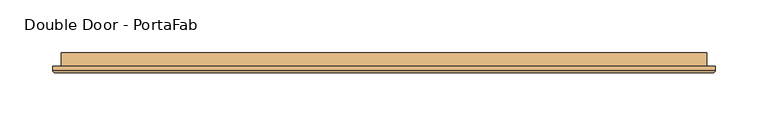
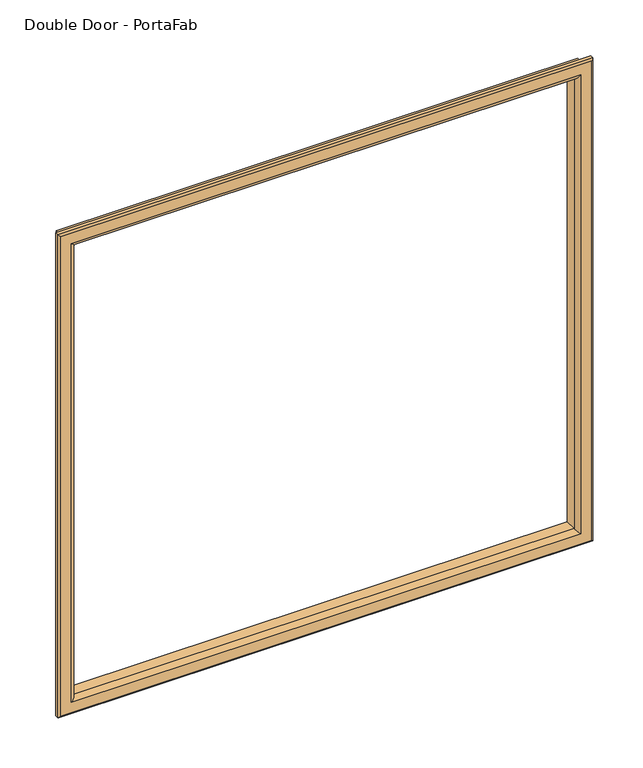
"""IFC4 building model written with IfcOpenShell, lengths in millimetres: door geometry, Double Door - PortaFab."""

from ifc_helpers import new_model, si_unit, frame, origin, place, context, project, spatial, ellipse_curve, source, transform, mapped, element, save
from ifc_brep_helpers import plane_surface, cylinder_surface, advanced_brep


def double_door_portafab_b9183c60(model_context):
    return source(origin(), model_context, "Body", "AdvancedBrep", [
        advanced_brep(
        [(-762.0, 12.7, 1270.0), (-762.0, 0.0, 1270.0), (-762.0, 0.0, 1851.025), (-762.0, 12.7, 1851.025), (-750.0, -1.0, 1282.0), (-750.0, 12.7, 1282.0), (-750.0, 12.7, 1839.025), (-750.0, -1.0, 1839.025), (-755.0, -6.0, 1277.0), (-755.0, -6.0, 1844.025), (-770.0, -4.0, 1262.0), (-768.0, -6.0, 1264.0), (-768.0, -6.0, 1857.025), (-770.0, -4.0, 1859.025), (-770.0, 0.0, 1262.0), (-770.0, 0.0, 1859.025), (-152.4, 0.0, 1851.025), (-152.4, 12.7, 1851.025), (-164.4, 12.7, 1839.025), (-164.4, -1.0, 1839.025), (-159.4, -6.0, 1844.025), (-146.4, -6.0, 1857.025), (-144.4, -4.0, 1859.025), (-144.4, 0.0, 1859.025), (-152.4, 0.0, 1270.0), (-152.4, 12.7, 1270.0), (-164.4, 12.7, 1282.0), (-164.4, -1.0, 1282.0), (-159.4, -6.0, 1277.0), (-146.4, -6.0, 1264.0), (-144.4, -4.0, 1262.0), (-144.4, 0.0, 1262.0)],
        [
            (0, 1),
            (1, 2),
            (2, 3),
            (3, 0),
            (4, 5),
            (5, 6),
            (6, 7),
            (7, 4),
            (8, 4, ellipse_curve(frame((-755.0, -1.0, 1277.0), z_axis=(-0.7071067811865475, 0.0, 0.7071067811865475), x_axis=(-0.7071067811865474, 0.0, -0.7071067811865476)), 7.0710678, 5.0)),
            (7, 9, ellipse_curve(frame((-755.0, -1.0, 1844.025), z_axis=(-0.7071067811865475, 0.0, -0.7071067811865475), x_axis=(0.7071067811865474, 0.0, -0.7071067811865476)), 7.0710678, 5.0)),
            (9, 8),
            (10, 11, ellipse_curve(frame((-768.0, -4.0, 1264.0), z_axis=(-0.7071067811865475, 0.0, 0.7071067811865475), x_axis=(-0.7071067811865474, 0.0, -0.7071067811865476)), 2.8284271, 2.0)),
            (11, 12),
            (12, 13, ellipse_curve(frame((-768.0, -4.0, 1857.025), z_axis=(-0.7071067811865475, 0.0, -0.7071067811865475), x_axis=(0.7071067811865474, 0.0, -0.7071067811865476)), 2.8284271, 2.0)),
            (13, 10),
            (14, 10),
            (13, 15),
            (15, 14),
            (2, 16),
            (16, 17),
            (17, 3),
            (6, 18),
            (18, 19),
            (19, 7),
            (19, 20, ellipse_curve(frame((-159.4, -1.0, 1844.025), z_axis=(-0.7071067811865475, 0.0, 0.7071067811865475), x_axis=(-0.7071067811865476, 0.0, -0.7071067811865474)), 7.0710678, 5.0)),
            (20, 9),
            (12, 21),
            (21, 22, ellipse_curve(frame((-146.4, -4.0, 1857.025), z_axis=(-0.7071067811865475, 0.0, 0.7071067811865475), x_axis=(-0.7071067811865476, 0.0, -0.7071067811865474)), 2.8284271, 2.0)),
            (22, 13),
            (22, 23),
            (23, 15),
            (16, 24),
            (24, 25),
            (25, 17),
            (18, 26),
            (26, 27),
            (27, 19),
            (27, 28, ellipse_curve(frame((-159.4, -1.0, 1277.0), z_axis=(0.7071067811865475, 0.0, 0.7071067811865475), x_axis=(-0.7071067811865474, 0.0, 0.7071067811865476)), 7.0710678, 5.0)),
            (28, 20),
            (21, 29),
            (29, 30, ellipse_curve(frame((-146.4, -4.0, 1264.0), z_axis=(0.7071067811865475, 0.0, 0.7071067811865475), x_axis=(-0.7071067811865474, 0.0, 0.7071067811865476)), 2.8284271, 2.0)),
            (30, 22),
            (30, 31),
            (31, 23),
            (31, 14),
            (1, 24),
            (0, 25),
            (5, 26),
            (4, 27),
            (8, 28),
            (11, 29),
            (10, 30),
        ],
        [
            plane_surface(frame((-762.0, 0.0, 1270.0), z_axis=(-1.0, 0.0, 0.0), x_axis=(0.0, 0.0, 1.0))),
            plane_surface(frame((-750.0, 12.7, 1282.0), z_axis=(1.0, 0.0, 0.0), x_axis=(0.0, 0.0, 1.0))),
            cylinder_surface(frame((-755.0, -1.0, 1270.0), z_axis=(0.0, 0.0, -1.0), x_axis=(-1.0, 0.0, 0.0)), 5.0),
            cylinder_surface(frame((-768.0, -4.0, 1270.0), z_axis=(0.0, 0.0, -1.0), x_axis=(-1.0, 0.0, 0.0)), 2.0),
            plane_surface(frame((-770.0, -4.0, 1262.0), z_axis=(-1.0, 0.0, 0.0), x_axis=(0.0, 0.0, 1.0))),
            plane_surface(frame((-762.0, 0.0, 1851.025), z_axis=(0.0, 0.0, 1.0), x_axis=(1.0, 0.0, 0.0))),
            plane_surface(frame((-750.0, 12.7, 1839.025), z_axis=(0.0, 0.0, -1.0), x_axis=(1.0, 0.0, 0.0))),
            cylinder_surface(frame((-762.0, -1.0, 1844.025), z_axis=(-1.0, 0.0, 0.0), x_axis=(0.0, 0.0, 1.0)), 5.0),
            cylinder_surface(frame((-762.0, -4.0, 1857.025), z_axis=(-1.0, 0.0, 0.0), x_axis=(0.0, 0.0, 1.0)), 2.0),
            plane_surface(frame((-770.0, -4.0, 1859.025), z_axis=(0.0, 0.0, 1.0), x_axis=(1.0, 0.0, 0.0))),
            plane_surface(frame((-152.4, 0.0, 1851.025), z_axis=(1.0, 0.0, 0.0), x_axis=(0.0, 0.0, -1.0))),
            plane_surface(frame((-164.4, 12.7, 1839.025), z_axis=(-1.0, 0.0, 0.0), x_axis=(0.0, 0.0, -1.0))),
            cylinder_surface(frame((-159.4, -1.0, 1851.025), z_axis=(0.0, 0.0, 1.0), x_axis=(1.0, 0.0, 0.0)), 5.0),
            cylinder_surface(frame((-146.4, -4.0, 1851.025), z_axis=(0.0, 0.0, 1.0), x_axis=(1.0, 0.0, 0.0)), 2.0),
            plane_surface(frame((-144.4, -4.0, 1859.025), z_axis=(1.0, 0.0, 0.0), x_axis=(0.0, 0.0, -1.0))),
            plane_surface(frame((-144.4, 0.0, 1262.0), z_axis=(0.0, 1.0, 0.0), x_axis=(-1.0, 0.0, 0.0))),
            plane_surface(frame((-152.4, 0.0, 1270.0), z_axis=(0.0, 0.0, -1.0), x_axis=(-1.0, 0.0, 0.0))),
            plane_surface(frame((-152.4, 12.7, 1270.0), z_axis=(0.0, 1.0, 0.0), x_axis=(-1.0, 0.0, 0.0))),
            plane_surface(frame((-164.4, 12.7, 1282.0), z_axis=(0.0, 0.0, 1.0), x_axis=(-1.0, 0.0, 0.0))),
            cylinder_surface(frame((-152.4, -1.0, 1277.0), z_axis=(1.0, 0.0, 0.0), x_axis=(0.0, 0.0, -1.0)), 5.0),
            plane_surface(frame((-159.4, -6.0, 1277.0), z_axis=(0.0, -1.0, 0.0), x_axis=(-1.0, 0.0, 0.0))),
            cylinder_surface(frame((-152.4, -4.0, 1264.0), z_axis=(1.0, 0.0, 0.0), x_axis=(0.0, 0.0, -1.0)), 2.0),
            plane_surface(frame((-144.4, -4.0, 1262.0), z_axis=(0.0, 0.0, -1.0), x_axis=(-1.0, 0.0, 0.0))),
        ],
        [
            (0, [[1, 2, 3, 4]]),
            (1, [[5, 6, 7, 8]]),
            (2, [[9, -8, 10, 11]]),
            (3, [[12, 13, 14, 15]]),
            (4, [[16, -15, 17, 18]]),
            (5, [[-3, 19, 20, 21]]),
            (6, [[-7, 22, 23, 24]]),
            (7, [[-10, -24, 25, 26]]),
            (8, [[-14, 27, 28, 29]]),
            (9, [[-17, -29, 30, 31]]),
            (10, [[-20, 32, 33, 34]]),
            (11, [[-23, 35, 36, 37]]),
            (12, [[-25, -37, 38, 39]]),
            (13, [[-28, 40, 41, 42]]),
            (14, [[-30, -42, 43, 44]]),
            (15, [[-31, -44, 45, -18], [46, -32, -19, -2]]),
            (16, [[-33, -46, -1, 47]]),
            (17, [[-21, -34, -47, -4], [48, -35, -22, -6]]),
            (18, [[-36, -48, -5, 49]]),
            (19, [[-38, -49, -9, 50]]),
            (20, [[51, -40, -27, -13], [-26, -39, -50, -11]]),
            (21, [[-41, -51, -12, 52]]),
            (22, [[-43, -52, -16, -45]]),
        ],
    ),
    ])


if __name__ == "__main__":
    model = new_model("IFC4")
    model_context = context("Model", 3, world=origin())
    ifc_project = project(units=[si_unit("LENGTHUNIT", "METRE", prefix="MILLI")], contexts=[model_context])
    site = spatial("IfcSite", under=ifc_project)
    building = spatial("IfcBuilding", under=site)
    placement = place(None, origin())
    double_door_portafab_shape = double_door_portafab_b9183c60(model_context)
    element("IfcDoor", 1, ObjectType="Double Door - PortaFab", at=placement, inside=building, context=model_context, shape_type="MappedRepresentation", body=[
        mapped(double_door_portafab_shape, transform((0.0, 0.0, 0.0), x_axis=(1.0, 0.0, 0.0), y_axis=(0.0, 1.0, 0.0), z_axis=(0.0, 0.0, 1.0))),
    ])
    save(model, "model.ifc")
